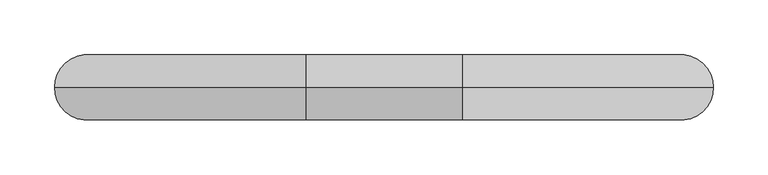
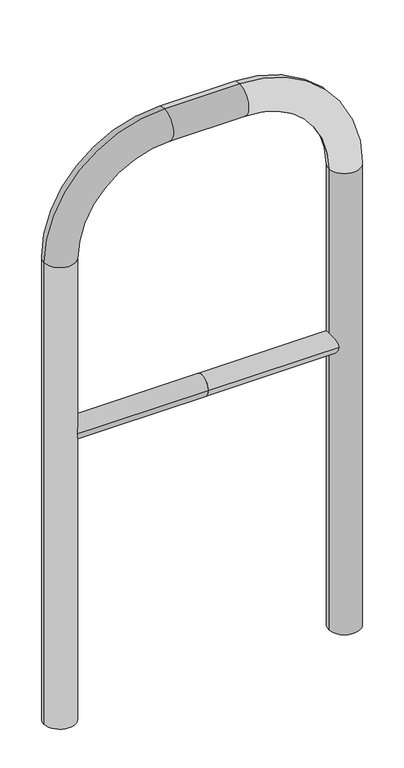
"""IFC4 building model written with IfcOpenShell, lengths in millimetres: proxy geometry."""

import ifcopenshell
import ifcopenshell.guid

model = None  # the IFC model being written
_history = None  # IfcOwnerHistory: only IFC2X3 demands one
_inside = {}  # id of a spatial element -> (the spatial element, [elements in it])
_under = {}  # id of a project, library or spatial element -> (it, [spatial elements below it])
_declared = {}  # id of a project -> (the project, [libraries it declares])
_typed = {}  # id of a type object -> (the type object, [elements of that type])
_made_of = {}  # id of a material, layer set ... -> (it, [elements and type objects made of it])


def new_model(schema):
    """Start an empty IFC model of exactly this schema.

    Asked for "IFC4X3", IfcOpenShell would pick the latest addendum, in which some entities
    have other attributes; the version numbers below select the first issue.
    IFC2X3 requires an IfcOwnerHistory on every rooted entity: one is made here for all.
    """
    global model, _history
    if schema == "IFC4X3":
        model = ifcopenshell.file(schema_version=(4, 3, 0, 0))
    else:
        model = ifcopenshell.file(schema=schema)
    _inside.clear()
    _under.clear()
    _declared.clear()
    _typed.clear()
    _made_of.clear()
    _history = None
    if model.schema == "IFC2X3":
        org = make("IfcOrganization", Name="unknown")
        user = make(
            "IfcPersonAndOrganization",
            ThePerson=make("IfcPerson", FamilyName="unknown"),
            TheOrganization=org,
        )
        app = make(
            "IfcApplication",
            ApplicationDeveloper=org,
            Version="unknown",
            ApplicationFullName="unknown",
            ApplicationIdentifier="unknown",
        )
        _history = make(
            "IfcOwnerHistory",
            OwningUser=user,
            OwningApplication=app,
            ChangeAction="ADDED",
            CreationDate=0,
        )
    return model


def make(cls, **values):
    """One entity of the class cls with the attributes given. An attribute that is None is left unset."""
    return model.create_entity(
        cls, **{name: value for name, value in values.items() if value is not None}
    )


def rooted(cls, **values):
    """An entity with a GlobalId (a new one), such as an element, a storey or a relation."""
    return make(cls, GlobalId=ifcopenshell.guid.new(), OwnerHistory=_history, **values)


def si_unit(unit_type, name, prefix=None):
    """IfcSIUnit, for example si_unit("LENGTHUNIT", "METRE", prefix="MILLI")."""
    return make("IfcSIUnit", UnitType=unit_type, Prefix=prefix, Name=name)


def assignment(units):
    """IfcUnitAssignment: the units of a project."""
    return None if units is None else make("IfcUnitAssignment", Units=units)


def point(xyz):
    """IfcCartesianPoint."""
    return None if xyz is None else make("IfcCartesianPoint", Coordinates=xyz)


def direction(xyz):
    """IfcDirection."""
    return None if xyz is None else make("IfcDirection", DirectionRatios=xyz)


def frame(location, z_axis=None, x_axis=None):
    """IfcAxis2Placement3D, a coordinate frame: its origin and axes. An axis left out is left unset."""
    return make(
        "IfcAxis2Placement3D",
        Location=point(location),
        Axis=direction(z_axis),
        RefDirection=direction(x_axis),
    )


def frame_2d(location, x_axis=None):
    """IfcAxis2Placement2D, a coordinate frame in the plane: its origin and x axis."""
    return make(
        "IfcAxis2Placement2D", Location=point(location), RefDirection=direction(x_axis)
    )


def origin():
    """The frame at (0, 0, 0) with its axes left unset."""
    return frame((0.0, 0.0, 0.0))


def place(relative_to, where):
    """IfcLocalPlacement: puts the frame where relative to a parent placement (None: the world)."""
    return make(
        "IfcLocalPlacement", PlacementRelTo=relative_to, RelativePlacement=where
    )


def context(
    kind, dimensions, precision=None, world=None, true_north=None, identifier=None
):
    """IfcGeometricRepresentationContext, for example the 3D "Model" context."""
    return make(
        "IfcGeometricRepresentationContext",
        ContextIdentifier=identifier,
        ContextType=kind,
        CoordinateSpaceDimension=dimensions,
        Precision=precision,
        WorldCoordinateSystem=world,
        TrueNorth=true_north,
    )


def project(units=None, contexts=None):
    """IfcProject with its units and contexts."""
    return rooted(
        "IfcProject",
        Name="project",
        RepresentationContexts=contexts,
        UnitsInContext=assignment(units),
    )


def spatial(cls, under=None, at=None, **own):
    """A site, building, storey or space (cls), placed at a placement, below another one or the project."""
    s = rooted(cls, ObjectPlacement=at, **own)
    if under is not None:
        _under.setdefault(under.id(), (under, []))[1].append(s)
    return s


def circle_curve(where, radius):
    """IfcCircle in the frame where."""
    return make("IfcCircle", Position=where, Radius=radius)


def ellipse_curve(where, semi_axis1, semi_axis2):
    """IfcEllipse in the frame where."""
    return make(
        "IfcEllipse", Position=where, SemiAxis1=semi_axis1, SemiAxis2=semi_axis2
    )


def trimmed(basis, trim1, trim2, sense, master):
    """IfcTrimmedCurve: the piece of a basis curve between two trims."""
    return make(
        "IfcTrimmedCurve",
        BasisCurve=basis,
        Trim1=trim1,
        Trim2=trim2,
        SenseAgreement=sense,
        MasterRepresentation=master,
    )


def segment(curve, same_sense, transition):
    """IfcCompositeCurveSegment."""
    return make(
        "IfcCompositeCurveSegment",
        Transition=transition,
        SameSense=same_sense,
        ParentCurve=curve,
    )


def composite_curve(segments, self_intersect=None):
    """IfcCompositeCurve: segments joined end to end."""
    return make("IfcCompositeCurve", Segments=segments, SelfIntersect=self_intersect)


def outline(outer, holes=None, kind="AREA"):
    """IfcArbitraryClosedProfileDef: a profile drawn as a closed curve; with holes, ...WithVoids."""
    if holes is None:
        return make("IfcArbitraryClosedProfileDef", ProfileType=kind, OuterCurve=outer)
    return make(
        "IfcArbitraryProfileDefWithVoids",
        ProfileType=kind,
        OuterCurve=outer,
        InnerCurves=holes,
    )


def extrude(swept, where, along, depth):
    """IfcExtrudedAreaSolid: the profile swept, set in the frame where, extruded along a direction by depth."""
    return make(
        "IfcExtrudedAreaSolid",
        SweptArea=swept,
        Position=where,
        ExtrudedDirection=direction(along),
        Depth=depth,
    )


def shape(context_of_items, identifier, shape_type, items):
    """IfcShapeRepresentation: the items that make up one representation, for example the "Body"."""
    return make(
        "IfcShapeRepresentation",
        ContextOfItems=context_of_items,
        RepresentationIdentifier=identifier,
        RepresentationType=shape_type,
        Items=items,
    )


def source(mapping_origin, context_of_items, identifier, shape_type, items):
    """IfcRepresentationMap: a shape defined once, which mapped items show again and again."""
    return make(
        "IfcRepresentationMap",
        MappingOrigin=mapping_origin,
        MappedRepresentation=shape(context_of_items, identifier, shape_type, items),
    )


def transform(
    local_origin,
    x_axis=None,
    y_axis=None,
    z_axis=None,
    scale=None,
    scale2=None,
    scale3=None,
    uniform=True,
):
    """IfcCartesianTransformationOperator3D, or its non-uniform kind. x_axis, y_axis, z_axis: its Axis1, 2, 3."""
    if uniform:
        return make(
            "IfcCartesianTransformationOperator3D",
            Axis1=direction(x_axis),
            Axis2=direction(y_axis),
            LocalOrigin=point(local_origin),
            Scale=scale,
            Axis3=direction(z_axis),
        )
    return make(
        "IfcCartesianTransformationOperator3DnonUniform",
        Axis1=direction(x_axis),
        Axis2=direction(y_axis),
        LocalOrigin=point(local_origin),
        Scale=scale,
        Axis3=direction(z_axis),
        Scale2=scale2,
        Scale3=scale3,
    )


def mapped(mapping_source, mapping_target):
    """IfcMappedItem: shows the shape of a source again, moved by a transform."""
    return make(
        "IfcMappedItem", MappingSource=mapping_source, MappingTarget=mapping_target
    )


def made_of(thing, what):
    """Note that an element or type object is made of a material, layer set ...; save() writes the relation."""
    if what is not None:
        _made_of.setdefault(what.id(), (what, []))[1].append(thing)
    return thing


def element(
    cls,
    number,
    at=None,
    inside=None,
    cuts=None,
    type_object=None,
    material=None,
    context=None,
    identifier="Body",
    shape_type=None,
    held_by="IfcProductDefinitionShape",
    body=None,
    shapes=None,
    **own,
):
    """One element of the class cls, such as IfcWall. Its Tag is "e" and its number.

    at: its placement. inside: the storey or other place that contains it. cuts: it is an
    opening in that element (IfcRelVoidsElement). A single representation is given by context,
    identifier, shape_type and body (its items); several are given by shapes. held_by: the class
    of the entity that holds the representations. save() writes the other relations.
    """
    e = rooted(cls, Tag="e%d" % number, ObjectPlacement=at, **own)
    if body is not None:
        shapes = [shape(context, identifier, shape_type, body)]
    if shapes is not None:
        e.Representation = make(held_by, Representations=shapes)
    if inside is not None:
        _inside.setdefault(inside.id(), (inside, []))[1].append(e)
    if cuts is not None:
        rooted(
            "IfcRelVoidsElement", RelatingBuildingElement=cuts, RelatedOpeningElement=e
        )
    if type_object is not None:
        _typed.setdefault(type_object.id(), (type_object, []))[1].append(e)
    return made_of(e, material)


def aggregate(whole, parts):
    """IfcRelAggregates: a whole, such as a stair, and the parts it consists of."""
    return rooted("IfcRelAggregates", RelatingObject=whole, RelatedObjects=parts)


def save(model, path):
    """Write the relations noted so far, then the file.

    IfcRelAggregates (storeys below a building ...), IfcRelContainedInSpatialStructure (elements
    in a storey), IfcRelDefinesByType, IfcRelAssociatesMaterial and IfcRelDeclares: one each for
    every whole, place, type object, material and project.
    """
    for whole, parts in _under.values():
        aggregate(whole, parts)
    for where, things in _inside.values():
        rooted(
            "IfcRelContainedInSpatialStructure",
            RelatedElements=things,
            RelatingStructure=where,
        )
    for kind, things in _typed.values():
        rooted("IfcRelDefinesByType", RelatedObjects=things, RelatingType=kind)
    for what, things in _made_of.values():
        rooted("IfcRelAssociatesMaterial", RelatedObjects=things, RelatingMaterial=what)
    for by, libraries in _declared.values():
        rooted("IfcRelDeclares", RelatingContext=by, RelatedDefinitions=libraries)
    model.write(path)


def plane_surface(at):
    """IfcPlane: the flat surface through the origin of the frame at, square to its z axis."""
    return make("IfcPlane", Position=at)


def cylinder_surface(at, radius):
    """IfcCylindricalSurface: all points at the distance radius from the z axis of the frame at."""
    return make("IfcCylindricalSurface", Position=at, Radius=radius)


def revolved_surface(curve, axis_point, axis_direction):
    """IfcSurfaceOfRevolution: the curve turned about the line through axis_point along axis_direction."""
    return make(
        "IfcSurfaceOfRevolution",
        SweptCurve=make("IfcArbitraryOpenProfileDef", ProfileType="CURVE", Curve=curve),
        AxisPosition=make("IfcAxis1Placement", Location=point(axis_point), Axis=direction(axis_direction)),
    )


def advanced_brep(points, edges, surfaces, faces):
    """IfcAdvancedBrep: a solid bounded by faces that lie on surfaces and meet in shared edges.

    An edge is (start, end): straight between two places in points (the first is 0);
    or (start, end, curve); or (start, end, curve, False) where it runs against its curve.
    A face is (place in surfaces, loops), or (place, loops, False) where it looks against
    its surface's normal. A loop lists edges by number (the first is 1), with a minus sign
    where the edge is run from its end to its start. The first loop is the outer one.
    """
    corners = [point(p) for p in points]
    vertices = [make("IfcVertexPoint", VertexGeometry=c) for c in corners]
    made = []
    for start, end, *more in edges:
        made.append(
            make(
                "IfcEdgeCurve",
                EdgeStart=vertices[start],
                EdgeEnd=vertices[end],
                EdgeGeometry=more[0] if more else make("IfcPolyline", Points=[corners[start], corners[end]]),
                SameSense=more[1] if len(more) > 1 else True,
            )
        )
    hull = []
    for where, loops, *sense in faces:
        bounds = []
        for j, loop in enumerate(loops):
            ring = [make("IfcOrientedEdge", EdgeElement=made[abs(k) - 1], Orientation=k > 0) for k in loop]
            bounds.append(
                make(
                    "IfcFaceOuterBound" if j == 0 else "IfcFaceBound",
                    Bound=make("IfcEdgeLoop", EdgeList=ring),
                    Orientation=True,
                )
            )
        hull.append(make("IfcAdvancedFace", Bounds=bounds, FaceSurface=surfaces[where], SameSense=sense[0] if sense else True))
    return make("IfcAdvancedBrep", Outer=make("IfcClosedShell", CfsFaces=hull))


def generic_models_0895ce08(model_context):
    return source(origin(), model_context, "Body", "SolidModel", [
        extrude(outline(composite_curve([segment(trimmed(circle_curve(frame_2d((0.0, 498.4778375)), 20.0), [point((20.0, 498.4778375))], [point((-20.0, 498.4778375))], False, "CARTESIAN"), True, "CONTINUOUS"), segment(trimmed(circle_curve(frame_2d((0.0, 498.4778375)), 20.0), [point((-20.0, 498.4778375))], [point((20.0, 498.4778375))], False, "CARTESIAN"), True, "CONTINUOUS")], self_intersect=False)), frame((-271.7786734, 0.0, 0.0), z_axis=(1.0, 0.0, 0.0), x_axis=(0.0, 1.0, 0.0)), (0.0, 0.0, 1.0), 271.7786734),
        extrude(outline(composite_curve([segment(trimmed(circle_curve(frame_2d((0.0, 498.4778375)), 20.0), [point((20.0, 498.4778375))], [point((-20.0, 498.4778375))], False, "CARTESIAN"), True, "CONTINUOUS"), segment(trimmed(circle_curve(frame_2d((0.0, 498.4778375)), 20.0), [point((-20.0, 498.4778375))], [point((20.0, 498.4778375))], False, "CARTESIAN"), True, "CONTINUOUS")], self_intersect=False)), frame((0.0, 0.0, 0.0), z_axis=(1.0, 0.0, 0.0), x_axis=(0.0, 1.0, 0.0)), (0.0, 0.0, 1.0), 271.7786734),
        advanced_brep(
        [(-241.7786734, 0.0, -80.0), (-301.7786734, 0.0, -80.0), (-301.7786734, 0.0, 850.0), (-241.7786734, 0.0, 850.0), (-71.7786734, 0.0, 1080.0), (-71.7786734, 0.0, 1020.0), (71.7786734, 0.0, 1080.0), (71.7786734, 0.0, 1020.0), (301.7786734, 0.0, 850.0), (241.7786734, 0.0, 850.0), (241.7786734, 0.0, -80.0), (301.7786734, 0.0, -80.0)],
        [
            (0, 1, circle_curve(frame((-271.7786734, 0.0, -80.0), z_axis=(0.0, 0.0, -1.0), x_axis=(-1.0, 0.0, 0.0)), 30.0)),
            (1, 0, circle_curve(frame((-271.7786734, 0.0, -80.0), z_axis=(0.0, 0.0, -1.0), x_axis=(-1.0, 0.0, 0.0)), 30.0)),
            (1, 2),
            (2, 3, circle_curve(frame((-271.7786734, 0.0, 850.0), z_axis=(0.0, 0.0, -1.0), x_axis=(-1.0, 0.0, 0.0)), 30.0)),
            (3, 0),
            (3, 2, circle_curve(frame((-271.7786734, 0.0, 850.0), z_axis=(0.0, 0.0, -1.0), x_axis=(-1.0, 0.0, 0.0)), 30.0)),
            (4, 5, circle_curve(frame((-71.7786734, 0.0, 1050.0), z_axis=(-1.0, 0.0, 0.0), x_axis=(0.0, 0.0, 1.0)), 30.0)),
            (5, 3, circle_curve(frame((-71.7786734, 0.0, 850.0), z_axis=(0.0, -1.0, 0.0), x_axis=(-1.0, 0.0, 0.0)), 170.0)),
            (2, 4, circle_curve(frame((-71.7786734, 0.0, 850.0), z_axis=(0.0, 1.0, 0.0), x_axis=(-1.0, 0.0, 0.0)), 230.0)),
            (5, 4, circle_curve(frame((-71.7786734, 0.0, 1050.0), z_axis=(-1.0, 0.0, 0.0), x_axis=(0.0, 0.0, 1.0)), 30.0)),
            (4, 6),
            (6, 7, circle_curve(frame((71.7786734, 0.0, 1050.0), z_axis=(-1.0, 0.0, 0.0), x_axis=(0.0, 0.0, 1.0)), 30.0)),
            (7, 5),
            (7, 6, circle_curve(frame((71.7786734, 0.0, 1050.0), z_axis=(-1.0, 0.0, 0.0), x_axis=(0.0, 0.0, 1.0)), 30.0)),
            (8, 9, circle_curve(frame((271.7786734, 0.0, 850.0), z_axis=(0.0, 0.0, 1.0), x_axis=(1.0, 0.0, 0.0)), 30.0)),
            (9, 7, circle_curve(frame((71.7786734, 0.0, 850.0), z_axis=(0.0, -1.0, 0.0), x_axis=(0.0, 0.0, 1.0)), 170.0)),
            (6, 8, circle_curve(frame((71.7786734, 0.0, 850.0), z_axis=(0.0, 1.0, 0.0), x_axis=(0.0, 0.0, 1.0)), 230.0)),
            (9, 8, circle_curve(frame((271.7786734, 0.0, 850.0), z_axis=(0.0, 0.0, 1.0), x_axis=(1.0, 0.0, 0.0)), 30.0)),
            (10, 11, circle_curve(frame((271.7786734, 0.0, -80.0), z_axis=(0.0, 0.0, -1.0), x_axis=(1.0, 0.0, 0.0)), 30.0)),
            (11, 10, circle_curve(frame((271.7786734, 0.0, -80.0), z_axis=(0.0, 0.0, -1.0), x_axis=(1.0, 0.0, 0.0)), 30.0)),
            (8, 11),
            (10, 9),
        ],
        [
            plane_surface(frame((-271.7786734, 0.0, -80.0), z_axis=(0.0, 0.0, -1.0), x_axis=(0.0, 1.0, 0.0))),
            cylinder_surface(frame((-271.7786734, 0.0, -80.0), z_axis=(0.0, 0.0, -1.0), x_axis=(-1.0, 0.0, 0.0)), 30.0),
            revolved_surface(trimmed(ellipse_curve(frame((-271.7786734, 0.0, 850.0), z_axis=(0.0, 0.0, 1.0), x_axis=(-1.0, 0.0, 0.0)), 30.0, 30.0), [point((-241.7786734, 0.0, 850.0))], [point((-301.7786734, 0.0, 850.0))], True, "CARTESIAN"), (-71.7786734, 0.0, 850.0), (0.0, -1.0, 0.0)),
            revolved_surface(trimmed(ellipse_curve(frame((-271.7786734, 0.0, 850.0), z_axis=(0.0, 0.0, 1.0), x_axis=(-1.0, 0.0, 0.0)), 30.0, 30.0), [point((-301.7786734, 0.0, 850.0))], [point((-241.7786734, 0.0, 850.0))], True, "CARTESIAN"), (-71.7786734, 0.0, 850.0), (0.0, -1.0, 0.0)),
            cylinder_surface(frame((-71.7786734, 0.0, 1050.0), z_axis=(-1.0, 0.0, 0.0), x_axis=(0.0, 0.0, 1.0)), 30.0),
            revolved_surface(trimmed(ellipse_curve(frame((71.7786734, 0.0, 1050.0), z_axis=(1.0, 0.0, 0.0), x_axis=(0.0, 0.0, 1.0)), 30.0, 30.0), [point((71.7786734, 0.0, 1020.0))], [point((71.7786734, 0.0, 1080.0))], True, "CARTESIAN"), (71.7786734, 0.0, 850.0), (0.0, -1.0, 0.0)),
            revolved_surface(trimmed(ellipse_curve(frame((71.7786734, 0.0, 1050.0), z_axis=(1.0, 0.0, 0.0), x_axis=(0.0, 0.0, 1.0)), 30.0, 30.0), [point((71.7786734, 0.0, 1080.0))], [point((71.7786734, 0.0, 1020.0))], True, "CARTESIAN"), (71.7786734, 0.0, 850.0), (0.0, -1.0, 0.0)),
            plane_surface(frame((271.7786734, 0.0, -80.0), z_axis=(0.0, 0.0, -1.0), x_axis=(0.0, 1.0, 0.0))),
            cylinder_surface(frame((271.7786734, 0.0, 850.0), z_axis=(0.0, 0.0, 1.0), x_axis=(1.0, 0.0, 0.0)), 30.0),
        ],
        [
            (0, [[1, 2]]),
            (1, [[3, 4, 5, -2]]),
            (1, [[-5, 6, -3, -1]]),
            (2, [[7, 8, -4, 9]]),
            (3, [[10, -9, -6, -8]]),
            (4, [[11, 12, 13, -7]]),
            (4, [[-13, 14, -11, -10]]),
            (5, [[15, 16, -12, 17]]),
            (6, [[18, -17, -14, -16]]),
            (7, [[19, 20]]),
            (8, [[21, -19, 22, -15]]),
            (8, [[-22, -20, -21, -18]]),
        ],
    ),
    ])


if __name__ == "__main__":
    model = new_model("IFC4")
    model_context = context("Model", 3, world=origin())
    ifc_project = project(units=[si_unit("LENGTHUNIT", "METRE", prefix="MILLI")], contexts=[model_context])
    site = spatial("IfcSite", under=ifc_project)
    building = spatial("IfcBuilding", under=site)
    placement = place(None, origin())
    generic_models_shape = generic_models_0895ce08(model_context)
    element("IfcBuildingElementProxy", 1, Name="Generic Models", at=placement, inside=building, context=model_context, shape_type="MappedRepresentation", body=[
        mapped(generic_models_shape, transform((0.0, 0.0, 0.0), x_axis=(1.0, 0.0, 0.0), y_axis=(0.0, 1.0, 0.0), z_axis=(0.0, 0.0, 1.0))),
    ])
    save(model, "model.ifc")
